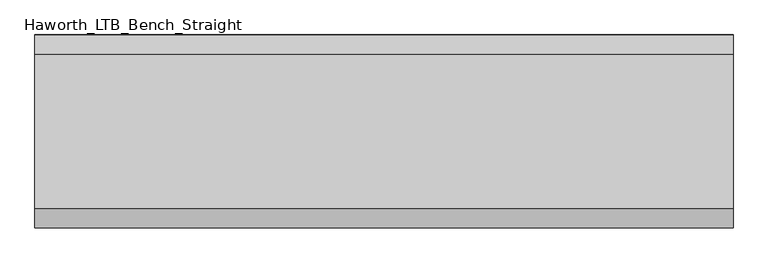
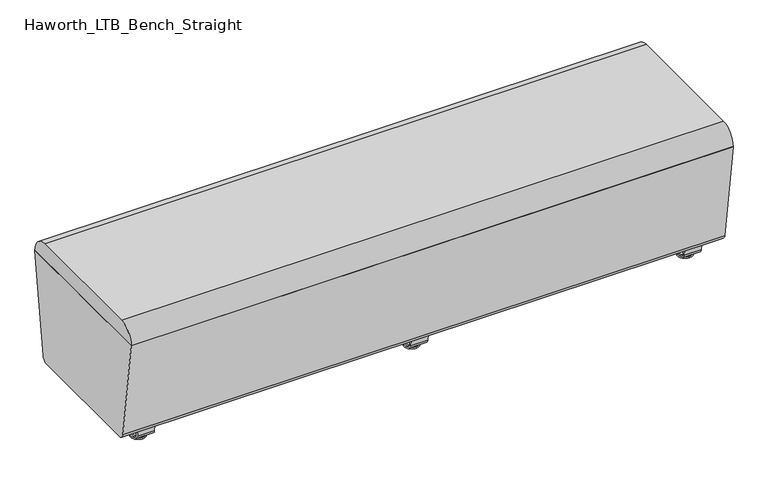
"""IFC4 building model written with IfcOpenShell, lengths in millimetres: furniture geometry, Haworth_LTB_Bench_Straight."""

from ifc_helpers import new_model, si_unit, point, frame, frame_2d, origin, place, context, project, spatial, polyline, circle_curve, ellipse_curve, trimmed, segment, composite_curve, outline, extrude, source, transform, mapped, element, save
from ifc_brep_helpers import plane_surface, cylinder_surface, revolved_surface, advanced_brep


def haworth_ltb_bench_straight_5ad4cbe7(model_context):
    return source(origin(), model_context, "Body", "SolidModel", [
        extrude(outline(composite_curve([segment(trimmed(circle_curve(frame_2d((187.8390314, 68.9999996)), 18.9999992), [point((206.6541239, 66.3557108))], [point((187.8390314, 50.0000004))], False, "CARTESIAN"), True, "CONTINUOUS"), segment(polyline([(187.8390314, 50.0000004), (-187.8390314, 50.0000004)]), True, "CONTINUOUS"), segment(trimmed(circle_curve(frame_2d((-187.8390314, 68.9999996)), 18.9999992), [point((-187.8390314, 50.0000004))], [point((-206.6541239, 66.3557108))], False, "CARTESIAN"), True, "CONTINUOUS"), segment(polyline([(-206.6541239, 66.3557108), (-249.9820603, 374.65), (249.9820603, 374.65), (206.6541239, 66.3557108)]), True, "CONTINUOUS")], self_intersect=False)), frame((-901.7, 0.0, 0.0), z_axis=(1.0, 0.0, 0.0), x_axis=(0.0, 1.0, 0.0)), (0.0, 0.0, 1.0), 1803.4),
        extrude(outline(composite_curve([segment(trimmed(circle_curve(frame_2d((200.0364582, 375.0527773)), 49.9472261), [point((200.0364582, 425.0000034))], [point((249.9820603, 374.6499999))], False, "CARTESIAN"), True, "CONTINUOUS"), segment(polyline([(249.9820603, 374.6499999), (-249.9820603, 374.6499999)]), True, "CONTINUOUS"), segment(trimmed(circle_curve(frame_2d((-200.0364582, 375.0527773)), 49.9472261), [point((-249.9820603, 374.6499999))], [point((-200.0364582, 425.0000034))], False, "CARTESIAN"), True, "CONTINUOUS"), segment(polyline([(-200.0364582, 425.0000034), (200.0364582, 425.0000034)]), True, "CONTINUOUS")], self_intersect=False)), frame((-901.7, 0.0, 0.0), z_axis=(1.0, 0.0, 0.0), x_axis=(0.0, 1.0, 0.0)), (0.0, 0.0, 1.0), 1803.4),
        advanced_brep(
        [(0.0, -134.8425052, 7.8133431), (0.0, -150.8355515, 7.8133431), (0.0, -147.6015284, 7.8133431), (0.0, -138.0765284, 7.8133431), (0.0, -120.9001513, 4.0775), (0.0, -164.7779054, 4.0775), (0.0, -121.3107026, 0.0), (0.0, -164.3673542, 0.0), (0.0, -142.8390284, 0.0), (0.0, -138.0765284, 50.0000004), (0.0, -147.6015284, 50.0000004), (0.0, -142.8390284, 50.0000004)],
        [
            (0, 1, circle_curve(frame((0.0, -142.8390284, 7.8133431), z_axis=(0.0, 0.0, 1.0), x_axis=(0.0, -1.0, 0.0)), 7.9965232)),
            (1, 2),
            (2, 3, circle_curve(frame((0.0, -142.8390284, 7.8133431), z_axis=(0.0, 0.0, -1.0), x_axis=(0.0, -1.0, 0.0)), 4.7625)),
            (3, 0),
            (1, 0, circle_curve(frame((0.0, -142.8390284, 7.8133431), z_axis=(0.0, 0.0, 1.0), x_axis=(0.0, -1.0, 0.0)), 7.9965232)),
            (3, 2, circle_curve(frame((0.0, -142.8390284, 7.8133431), z_axis=(0.0, 0.0, -1.0), x_axis=(0.0, -1.0, 0.0)), 4.7625)),
            (4, 5, circle_curve(frame((0.0, -142.8390284, 4.0775), z_axis=(0.0, 0.0, 1.0), x_axis=(0.0, -1.0, 0.0)), 21.9388771)),
            (5, 1),
            (0, 4),
            (5, 4, circle_curve(frame((0.0, -142.8390284, 4.0775), z_axis=(0.0, 0.0, 1.0), x_axis=(0.0, -1.0, 0.0)), 21.9388771)),
            (6, 7, circle_curve(frame((0.0, -142.8390284, 0.0), z_axis=(0.0, 0.0, 1.0), x_axis=(0.0, -1.0, 0.0)), 21.5283258)),
            (7, 5, circle_curve(frame((0.0, -164.2405822, 2.0721829), z_axis=(-1.0, 0.0, 0.0), x_axis=(0.0, 1.0, 0.0)), 2.0760571)),
            (4, 6, circle_curve(frame((0.0, -121.4374745, 2.0721829), z_axis=(-1.0, 0.0, 0.0), x_axis=(0.0, -1.0, 0.0)), 2.0760571)),
            (7, 6, circle_curve(frame((0.0, -142.8390284, 0.0), z_axis=(0.0, 0.0, 1.0), x_axis=(0.0, -1.0, 0.0)), 21.5283258)),
            (8, 7),
            (6, 8),
            (9, 10, circle_curve(frame((0.0, -142.8390284, 50.0000004), z_axis=(0.0, 0.0, 1.0), x_axis=(0.0, -1.0, 0.0)), 4.7625)),
            (10, 11),
            (11, 9),
            (10, 9, circle_curve(frame((0.0, -142.8390284, 50.0000004), z_axis=(0.0, 0.0, 1.0), x_axis=(0.0, -1.0, 0.0)), 4.7625)),
            (2, 10),
            (9, 3),
        ],
        [
            plane_surface(frame((0.0, -142.8390284, 7.8133431), z_axis=(0.0, 0.0, 1.0), x_axis=(0.0, -1.0, 0.0))),
            revolved_surface(polyline([(0.0, -150.8355515, 7.8133431), (0.0, -164.7779054, 4.0775)]), (0.0, -142.8390284, 0.0), (0.0, 0.0, -1.0)),
            revolved_surface(trimmed(ellipse_curve(frame((0.0, -164.2405822, 2.0721829), z_axis=(1.0, 0.0, 0.0), x_axis=(0.0, 1.0, 0.0)), 2.0760571, 2.0760571), [point((0.0, -164.7779054, 4.0775))], [point((0.0, -164.3673542, 0.0))], True, "CARTESIAN"), (0.0, -142.8390284, 0.0), (0.0, 0.0, -1.0)),
            plane_surface(frame((0.0, -142.8390284, 0.0), z_axis=(0.0, 0.0, -1.0), x_axis=(0.0, -1.0, 0.0))),
            plane_surface(frame((0.0, -142.8390284, 50.0000004), z_axis=(0.0, 0.0, 1.0), x_axis=(0.0, -1.0, 0.0))),
            cylinder_surface(frame((0.0, -142.8390284, 0.0), z_axis=(0.0, 0.0, -1.0), x_axis=(0.0, -1.0, 0.0)), 4.7625),
        ],
        [
            (0, [[1, 2, 3, 4]]),
            (0, [[5, -4, 6, -2]]),
            (1, [[7, 8, -1, 9]]),
            (1, [[10, -9, -5, -8]]),
            (2, [[11, 12, -7, 13]]),
            (2, [[14, -13, -10, -12]]),
            (3, [[15, -11, 16]]),
            (3, [[-16, -14, -15]]),
            (4, [[17, 18, 19]]),
            (4, [[20, -19, -18]]),
            (5, [[-3, 21, -17, 22]]),
            (5, [[-6, -22, -20, -21]]),
        ],
    ),
        advanced_brep(
        [(0.0, 138.0765284, 7.8133431), (0.0, 147.6015284, 7.8133431), (0.0, 150.8355515, 7.8133431), (0.0, 134.8425052, 7.8133431), (0.0, 164.7779054, 4.0775), (0.0, 120.9001513, 4.0775), (0.0, 164.3673542, 0.0), (0.0, 121.3107026, 0.0), (0.0, 142.8390284, 0.0), (0.0, 142.8390284, 50.0000004), (0.0, 147.6015284, 50.0000004), (0.0, 138.0765284, 50.0000004)],
        [
            (0, 1, circle_curve(frame((0.0, 142.8390284, 7.8133431), z_axis=(0.0, 0.0, -1.0), x_axis=(0.0, 1.0, 0.0)), 4.7625)),
            (1, 2),
            (2, 3, circle_curve(frame((0.0, 142.8390284, 7.8133431), z_axis=(0.0, 0.0, 1.0), x_axis=(0.0, 1.0, 0.0)), 7.9965232)),
            (3, 0),
            (1, 0, circle_curve(frame((0.0, 142.8390284, 7.8133431), z_axis=(0.0, 0.0, -1.0), x_axis=(0.0, 1.0, 0.0)), 4.7625)),
            (3, 2, circle_curve(frame((0.0, 142.8390284, 7.8133431), z_axis=(0.0, 0.0, 1.0), x_axis=(0.0, 1.0, 0.0)), 7.9965232)),
            (2, 4),
            (4, 5, circle_curve(frame((0.0, 142.8390284, 4.0775), z_axis=(0.0, 0.0, 1.0), x_axis=(0.0, 1.0, 0.0)), 21.9388771)),
            (5, 3),
            (5, 4, circle_curve(frame((0.0, 142.8390284, 4.0775), z_axis=(0.0, 0.0, 1.0), x_axis=(0.0, 1.0, 0.0)), 21.9388771)),
            (4, 6, circle_curve(frame((0.0, 164.2405822, 2.0721829), z_axis=(-1.0, 0.0, 0.0), x_axis=(0.0, -1.0, 0.0)), 2.0760571)),
            (6, 7, circle_curve(frame((0.0, 142.8390284, 0.0), z_axis=(0.0, 0.0, 1.0), x_axis=(0.0, 1.0, 0.0)), 21.5283258)),
            (7, 5, circle_curve(frame((0.0, 121.4374745, 2.0721829), z_axis=(-1.0, 0.0, 0.0), x_axis=(0.0, 1.0, 0.0)), 2.0760571)),
            (7, 6, circle_curve(frame((0.0, 142.8390284, 0.0), z_axis=(0.0, 0.0, 1.0), x_axis=(0.0, 1.0, 0.0)), 21.5283258)),
            (6, 8),
            (8, 7),
            (9, 10),
            (10, 11, circle_curve(frame((0.0, 142.8390284, 50.0000004), z_axis=(0.0, 0.0, 1.0), x_axis=(0.0, 1.0, 0.0)), 4.7625)),
            (11, 9),
            (11, 10, circle_curve(frame((0.0, 142.8390284, 50.0000004), z_axis=(0.0, 0.0, 1.0), x_axis=(0.0, 1.0, 0.0)), 4.7625)),
            (10, 1),
            (0, 11),
        ],
        [
            plane_surface(frame((0.0, 142.8390284, 7.8133431), z_axis=(0.0, 0.0, 1.0), x_axis=(0.0, 1.0, 0.0))),
            revolved_surface(polyline([(0.0, 164.7779054, 4.0775), (0.0, 150.8355515, 7.8133431)]), (0.0, 142.8390284, 0.0), (0.0, 0.0, 1.0)),
            revolved_surface(trimmed(ellipse_curve(frame((0.0, 164.2405822, 2.0721829), z_axis=(1.0, 0.0, 0.0), x_axis=(0.0, -1.0, 0.0)), 2.0760571, 2.0760571), [point((0.0, 164.3673542, 0.0))], [point((0.0, 164.7779054, 4.0775))], True, "CARTESIAN"), (0.0, 142.8390284, 0.0), (0.0, 0.0, 1.0)),
            plane_surface(frame((0.0, 142.8390284, 0.0), z_axis=(0.0, 0.0, -1.0), x_axis=(0.0, 1.0, 0.0))),
            plane_surface(frame((0.0, 142.8390284, 50.0000004), z_axis=(0.0, 0.0, 1.0), x_axis=(0.0, 1.0, 0.0))),
            cylinder_surface(frame((0.0, 142.8390284, 0.0), z_axis=(0.0, 0.0, 1.0), x_axis=(0.0, 1.0, 0.0)), 4.7625),
        ],
        [
            (0, [[1, 2, 3, 4]]),
            (0, [[5, -4, 6, -2]]),
            (1, [[-3, 7, 8, 9]]),
            (1, [[-6, -9, 10, -7]]),
            (2, [[-8, 11, 12, 13]]),
            (2, [[-10, -13, 14, -11]]),
            (3, [[-12, 15, 16]]),
            (3, [[-14, -16, -15]]),
            (4, [[17, 18, 19]]),
            (4, [[-19, 20, -17]]),
            (5, [[-18, 21, -1, 22]]),
            (5, [[-20, -22, -5, -21]]),
        ],
    ),
        extrude(outline(composite_curve([segment(polyline([(188.6158944, 62.9950557), (183.6853496, 27.9124042)]), True, "CONTINUOUS"), segment(trimmed(circle_curve(frame_2d((168.8313276, 30.0000007)), 15.000001), [point((183.6853496, 27.9124042))], [point((168.8313276, 14.9999997))], False, "CARTESIAN"), True, "CONTINUOUS"), segment(polyline([(168.8313276, 14.9999997), (-168.8313276, 14.9999997)]), True, "CONTINUOUS"), segment(trimmed(circle_curve(frame_2d((-168.8313276, 30.0000007)), 15.000001), [point((-168.8313276, 14.9999997))], [point((-183.6853496, 27.9124042))], False, "CARTESIAN"), True, "CONTINUOUS"), segment(polyline([(-183.6853496, 27.9124042), (-188.6158944, 62.9950557), (-182.9812615, 63.7869505), (-178.0507241, 28.7043023)]), True, "CONTINUOUS"), segment(trimmed(circle_curve(frame_2d((-168.8313262, 30.0000023)), 9.310002), [point((-178.0507241, 28.7043023))], [point((-168.8313262, 20.6900003))], True, "CARTESIAN"), True, "CONTINUOUS"), segment(polyline([(-168.8313262, 20.6900003), (168.8313262, 20.6900003)]), True, "CONTINUOUS"), segment(trimmed(circle_curve(frame_2d((168.8313262, 30.0000023)), 9.310002), [point((168.8313262, 20.6900003))], [point((178.0507241, 28.7043023))], True, "CARTESIAN"), True, "CONTINUOUS"), segment(polyline([(178.0507241, 28.7043023), (182.9812615, 63.7869505), (188.6158944, 62.9950557)]), True, "CONTINUOUS")], self_intersect=False)), frame((-25.4, 0.0, 0.0), z_axis=(1.0, 0.0, 0.0), x_axis=(0.0, 1.0, 0.0)), (0.0, 0.0, 1.0), 50.8),
        advanced_brep(
        [(819.2045358, -134.8425052, 7.8133431), (819.2045358, -150.8355515, 7.8133431), (819.2045358, -147.6015284, 7.8133431), (819.2045358, -138.0765284, 7.8133431), (819.2045358, -120.9001513, 4.0775), (819.2045358, -164.7779054, 4.0775), (819.2045358, -121.3107026, 0.0), (819.2045358, -164.3673542, 0.0), (819.2045358, -142.8390284, 0.0), (819.2045358, -138.0765284, 50.0000004), (819.2045358, -147.6015284, 50.0000004), (819.2045358, -142.8390284, 50.0000004)],
        [
            (0, 1, circle_curve(frame((819.2045358, -142.8390284, 7.8133431), z_axis=(0.0, 0.0, 1.0), x_axis=(0.0, -1.0, 0.0)), 7.9965232)),
            (1, 2),
            (2, 3, circle_curve(frame((819.2045358, -142.8390284, 7.8133431), z_axis=(0.0, 0.0, -1.0), x_axis=(0.0, -1.0, 0.0)), 4.7625)),
            (3, 0),
            (1, 0, circle_curve(frame((819.2045358, -142.8390284, 7.8133431), z_axis=(0.0, 0.0, 1.0), x_axis=(0.0, -1.0, 0.0)), 7.9965232)),
            (3, 2, circle_curve(frame((819.2045358, -142.8390284, 7.8133431), z_axis=(0.0, 0.0, -1.0), x_axis=(0.0, -1.0, 0.0)), 4.7625)),
            (4, 5, circle_curve(frame((819.2045358, -142.8390284, 4.0775), z_axis=(0.0, 0.0, 1.0), x_axis=(0.0, -1.0, 0.0)), 21.9388771)),
            (5, 1),
            (0, 4),
            (5, 4, circle_curve(frame((819.2045358, -142.8390284, 4.0775), z_axis=(0.0, 0.0, 1.0), x_axis=(0.0, -1.0, 0.0)), 21.9388771)),
            (6, 7, circle_curve(frame((819.2045358, -142.8390284, 0.0), z_axis=(0.0, 0.0, 1.0), x_axis=(0.0, -1.0, 0.0)), 21.5283258)),
            (7, 5, circle_curve(frame((819.2045358, -164.2405822, 2.0721829), z_axis=(-1.0, 0.0, 0.0), x_axis=(0.0, 1.0, 0.0)), 2.0760571)),
            (4, 6, circle_curve(frame((819.2045358, -121.4374745, 2.0721829), z_axis=(-1.0, 0.0, 0.0), x_axis=(0.0, -1.0, 0.0)), 2.0760571)),
            (7, 6, circle_curve(frame((819.2045358, -142.8390284, 0.0), z_axis=(0.0, 0.0, 1.0), x_axis=(0.0, -1.0, 0.0)), 21.5283258)),
            (8, 7),
            (6, 8),
            (9, 10, circle_curve(frame((819.2045358, -142.8390284, 50.0000004), z_axis=(0.0, 0.0, 1.0), x_axis=(0.0, -1.0, 0.0)), 4.7625)),
            (10, 11),
            (11, 9),
            (10, 9, circle_curve(frame((819.2045358, -142.8390284, 50.0000004), z_axis=(0.0, 0.0, 1.0), x_axis=(0.0, -1.0, 0.0)), 4.7625)),
            (2, 10),
            (9, 3),
        ],
        [
            plane_surface(frame((819.2045358, -142.8390284, 7.8133431), z_axis=(0.0, 0.0, 1.0), x_axis=(0.0, -1.0, 0.0))),
            revolved_surface(polyline([(819.2045358, -150.8355515, 7.8133431), (819.2045358, -164.7779054, 4.0775)]), (819.2045358, -142.8390284, 0.0), (0.0, 0.0, -1.0)),
            revolved_surface(trimmed(ellipse_curve(frame((819.2045358, -164.2405822, 2.0721829), z_axis=(1.0, 0.0, 0.0), x_axis=(0.0, 1.0, 0.0)), 2.0760571, 2.0760571), [point((819.2045358, -164.7779054, 4.0775))], [point((819.2045358, -164.3673542, 0.0))], True, "CARTESIAN"), (819.2045358, -142.8390284, 0.0), (0.0, 0.0, -1.0)),
            plane_surface(frame((819.2045358, -142.8390284, 0.0), z_axis=(0.0, 0.0, -1.0), x_axis=(0.0, -1.0, 0.0))),
            plane_surface(frame((819.2045358, -142.8390284, 50.0000004), z_axis=(0.0, 0.0, 1.0), x_axis=(0.0, -1.0, 0.0))),
            cylinder_surface(frame((819.2045358, -142.8390284, 0.0), z_axis=(0.0, 0.0, -1.0), x_axis=(0.0, -1.0, 0.0)), 4.7625),
        ],
        [
            (0, [[1, 2, 3, 4]]),
            (0, [[5, -4, 6, -2]]),
            (1, [[7, 8, -1, 9]]),
            (1, [[10, -9, -5, -8]]),
            (2, [[11, 12, -7, 13]]),
            (2, [[14, -13, -10, -12]]),
            (3, [[15, -11, 16]]),
            (3, [[-16, -14, -15]]),
            (4, [[17, 18, 19]]),
            (4, [[20, -19, -18]]),
            (5, [[-3, 21, -17, 22]]),
            (5, [[-6, -22, -20, -21]]),
        ],
    ),
        advanced_brep(
        [(819.2045358, 138.0765284, 7.8133431), (819.2045358, 147.6015284, 7.8133431), (819.2045358, 150.8355515, 7.8133431), (819.2045358, 134.8425052, 7.8133431), (819.2045358, 164.7779054, 4.0775), (819.2045358, 120.9001513, 4.0775), (819.2045358, 164.3673542, 0.0), (819.2045358, 121.3107026, 0.0), (819.2045358, 142.8390284, 0.0), (819.2045358, 142.8390284, 50.0000004), (819.2045358, 147.6015284, 50.0000004), (819.2045358, 138.0765284, 50.0000004)],
        [
            (0, 1, circle_curve(frame((819.2045358, 142.8390284, 7.8133431), z_axis=(0.0, 0.0, -1.0), x_axis=(0.0, 1.0, 0.0)), 4.7625)),
            (1, 2),
            (2, 3, circle_curve(frame((819.2045358, 142.8390284, 7.8133431), z_axis=(0.0, 0.0, 1.0), x_axis=(0.0, 1.0, 0.0)), 7.9965232)),
            (3, 0),
            (1, 0, circle_curve(frame((819.2045358, 142.8390284, 7.8133431), z_axis=(0.0, 0.0, -1.0), x_axis=(0.0, 1.0, 0.0)), 4.7625)),
            (3, 2, circle_curve(frame((819.2045358, 142.8390284, 7.8133431), z_axis=(0.0, 0.0, 1.0), x_axis=(0.0, 1.0, 0.0)), 7.9965232)),
            (2, 4),
            (4, 5, circle_curve(frame((819.2045358, 142.8390284, 4.0775), z_axis=(0.0, 0.0, 1.0), x_axis=(0.0, 1.0, 0.0)), 21.9388771)),
            (5, 3),
            (5, 4, circle_curve(frame((819.2045358, 142.8390284, 4.0775), z_axis=(0.0, 0.0, 1.0), x_axis=(0.0, 1.0, 0.0)), 21.9388771)),
            (4, 6, circle_curve(frame((819.2045358, 164.2405822, 2.0721829), z_axis=(-1.0, 0.0, 0.0), x_axis=(0.0, -1.0, 0.0)), 2.0760571)),
            (6, 7, circle_curve(frame((819.2045358, 142.8390284, 0.0), z_axis=(0.0, 0.0, 1.0), x_axis=(0.0, 1.0, 0.0)), 21.5283258)),
            (7, 5, circle_curve(frame((819.2045358, 121.4374745, 2.0721829), z_axis=(-1.0, 0.0, 0.0), x_axis=(0.0, 1.0, 0.0)), 2.0760571)),
            (7, 6, circle_curve(frame((819.2045358, 142.8390284, 0.0), z_axis=(0.0, 0.0, 1.0), x_axis=(0.0, 1.0, 0.0)), 21.5283258)),
            (6, 8),
            (8, 7),
            (9, 10),
            (10, 11, circle_curve(frame((819.2045358, 142.8390284, 50.0000004), z_axis=(0.0, 0.0, 1.0), x_axis=(0.0, 1.0, 0.0)), 4.7625)),
            (11, 9),
            (11, 10, circle_curve(frame((819.2045358, 142.8390284, 50.0000004), z_axis=(0.0, 0.0, 1.0), x_axis=(0.0, 1.0, 0.0)), 4.7625)),
            (10, 1),
            (0, 11),
        ],
        [
            plane_surface(frame((819.2045358, 142.8390284, 7.8133431), z_axis=(0.0, 0.0, 1.0), x_axis=(0.0, 1.0, 0.0))),
            revolved_surface(polyline([(819.2045358, 164.7779054, 4.0775), (819.2045358, 150.8355515, 7.8133431)]), (819.2045358, 142.8390284, 0.0), (0.0, 0.0, 1.0)),
            revolved_surface(trimmed(ellipse_curve(frame((819.2045358, 164.2405822, 2.0721829), z_axis=(1.0, 0.0, 0.0), x_axis=(0.0, -1.0, 0.0)), 2.0760571, 2.0760571), [point((819.2045358, 164.3673542, 0.0))], [point((819.2045358, 164.7779054, 4.0775))], True, "CARTESIAN"), (819.2045358, 142.8390284, 0.0), (0.0, 0.0, 1.0)),
            plane_surface(frame((819.2045358, 142.8390284, 0.0), z_axis=(0.0, 0.0, -1.0), x_axis=(0.0, 1.0, 0.0))),
            plane_surface(frame((819.2045358, 142.8390284, 50.0000004), z_axis=(0.0, 0.0, 1.0), x_axis=(0.0, 1.0, 0.0))),
            cylinder_surface(frame((819.2045358, 142.8390284, 0.0), z_axis=(0.0, 0.0, 1.0), x_axis=(0.0, 1.0, 0.0)), 4.7625),
        ],
        [
            (0, [[1, 2, 3, 4]]),
            (0, [[5, -4, 6, -2]]),
            (1, [[-3, 7, 8, 9]]),
            (1, [[-6, -9, 10, -7]]),
            (2, [[-8, 11, 12, 13]]),
            (2, [[-10, -13, 14, -11]]),
            (3, [[-12, 15, 16]]),
            (3, [[-14, -16, -15]]),
            (4, [[17, 18, 19]]),
            (4, [[-19, 20, -17]]),
            (5, [[-18, 21, -1, 22]]),
            (5, [[-20, -22, -5, -21]]),
        ],
    ),
        extrude(outline(composite_curve([segment(polyline([(188.6158944, 62.9950557), (183.6853496, 27.9124042)]), True, "CONTINUOUS"), segment(trimmed(circle_curve(frame_2d((168.8313276, 30.0000007)), 15.000001), [point((183.6853496, 27.9124042))], [point((168.8313276, 14.9999997))], False, "CARTESIAN"), True, "CONTINUOUS"), segment(polyline([(168.8313276, 14.9999997), (-168.8313276, 14.9999997)]), True, "CONTINUOUS"), segment(trimmed(circle_curve(frame_2d((-168.8313276, 30.0000007)), 15.000001), [point((-168.8313276, 14.9999997))], [point((-183.6853496, 27.9124042))], False, "CARTESIAN"), True, "CONTINUOUS"), segment(polyline([(-183.6853496, 27.9124042), (-188.6158944, 62.9950557), (-182.9812615, 63.7869505), (-178.0507241, 28.7043023)]), True, "CONTINUOUS"), segment(trimmed(circle_curve(frame_2d((-168.8313262, 30.0000023)), 9.310002), [point((-178.0507241, 28.7043023))], [point((-168.8313262, 20.6900003))], True, "CARTESIAN"), True, "CONTINUOUS"), segment(polyline([(-168.8313262, 20.6900003), (168.8313262, 20.6900003)]), True, "CONTINUOUS"), segment(trimmed(circle_curve(frame_2d((168.8313262, 30.0000023)), 9.310002), [point((168.8313262, 20.6900003))], [point((178.0507241, 28.7043023))], True, "CARTESIAN"), True, "CONTINUOUS"), segment(polyline([(178.0507241, 28.7043023), (182.9812615, 63.7869505), (188.6158944, 62.9950557)]), True, "CONTINUOUS")], self_intersect=False)), frame((793.8045358, 0.0, 0.0), z_axis=(1.0, 0.0, 0.0), x_axis=(0.0, 1.0, 0.0)), (0.0, 0.0, 1.0), 50.8),
        advanced_brep(
        [(-819.2045358, -138.0765284, 7.8133431), (-819.2045358, -147.6015284, 7.8133431), (-819.2045358, -150.8355515, 7.8133431), (-819.2045358, -134.8425052, 7.8133431), (-819.2045358, -164.7779054, 4.0775), (-819.2045358, -120.9001513, 4.0775), (-819.2045358, -164.3673542, 0.0), (-819.2045358, -121.3107026, 0.0), (-819.2045358, -142.8390284, 0.0), (-819.2045358, -142.8390284, 50.0000004), (-819.2045358, -147.6015284, 50.0000004), (-819.2045358, -138.0765284, 50.0000004)],
        [
            (0, 1, circle_curve(frame((-819.2045358, -142.8390284, 7.8133431), z_axis=(0.0, 0.0, -1.0), x_axis=(0.0, -1.0, 0.0)), 4.7625)),
            (1, 2),
            (2, 3, circle_curve(frame((-819.2045358, -142.8390284, 7.8133431), z_axis=(0.0, 0.0, 1.0), x_axis=(0.0, -1.0, 0.0)), 7.9965232)),
            (3, 0),
            (1, 0, circle_curve(frame((-819.2045358, -142.8390284, 7.8133431), z_axis=(0.0, 0.0, -1.0), x_axis=(0.0, -1.0, 0.0)), 4.7625)),
            (3, 2, circle_curve(frame((-819.2045358, -142.8390284, 7.8133431), z_axis=(0.0, 0.0, 1.0), x_axis=(0.0, -1.0, 0.0)), 7.9965232)),
            (2, 4),
            (4, 5, circle_curve(frame((-819.2045358, -142.8390284, 4.0775), z_axis=(0.0, 0.0, 1.0), x_axis=(0.0, -1.0, 0.0)), 21.9388771)),
            (5, 3),
            (5, 4, circle_curve(frame((-819.2045358, -142.8390284, 4.0775), z_axis=(0.0, 0.0, 1.0), x_axis=(0.0, -1.0, 0.0)), 21.9388771)),
            (4, 6, circle_curve(frame((-819.2045358, -164.2405822, 2.0721829), z_axis=(1.0, 0.0, 0.0), x_axis=(0.0, 1.0, 0.0)), 2.0760571)),
            (6, 7, circle_curve(frame((-819.2045358, -142.8390284, 0.0), z_axis=(0.0, 0.0, 1.0), x_axis=(0.0, -1.0, 0.0)), 21.5283258)),
            (7, 5, circle_curve(frame((-819.2045358, -121.4374745, 2.0721829), z_axis=(1.0, 0.0, 0.0), x_axis=(0.0, -1.0, 0.0)), 2.0760571)),
            (7, 6, circle_curve(frame((-819.2045358, -142.8390284, 0.0), z_axis=(0.0, 0.0, 1.0), x_axis=(0.0, -1.0, 0.0)), 21.5283258)),
            (6, 8),
            (8, 7),
            (9, 10),
            (10, 11, circle_curve(frame((-819.2045358, -142.8390284, 50.0000004), z_axis=(0.0, 0.0, 1.0), x_axis=(0.0, -1.0, 0.0)), 4.7625)),
            (11, 9),
            (11, 10, circle_curve(frame((-819.2045358, -142.8390284, 50.0000004), z_axis=(0.0, 0.0, 1.0), x_axis=(0.0, -1.0, 0.0)), 4.7625)),
            (10, 1),
            (0, 11),
        ],
        [
            plane_surface(frame((-819.2045358, -142.8390284, 7.8133431), z_axis=(0.0, 0.0, 1.0), x_axis=(0.0, -1.0, 0.0))),
            revolved_surface(polyline([(-819.2045358, -164.7779054, 4.0775), (-819.2045358, -150.8355515, 7.8133431)]), (-819.2045358, -142.8390284, 0.0), (0.0, 0.0, 1.0)),
            revolved_surface(trimmed(ellipse_curve(frame((-819.2045358, -164.2405822, 2.0721829), z_axis=(-1.0, 0.0, 0.0), x_axis=(0.0, 1.0, 0.0)), 2.0760571, 2.0760571), [point((-819.2045358, -164.3673542, 0.0))], [point((-819.2045358, -164.7779054, 4.0775))], True, "CARTESIAN"), (-819.2045358, -142.8390284, 0.0), (0.0, 0.0, 1.0)),
            plane_surface(frame((-819.2045358, -142.8390284, 0.0), z_axis=(0.0, 0.0, -1.0), x_axis=(0.0, -1.0, 0.0))),
            plane_surface(frame((-819.2045358, -142.8390284, 50.0000004), z_axis=(0.0, 0.0, 1.0), x_axis=(0.0, -1.0, 0.0))),
            cylinder_surface(frame((-819.2045358, -142.8390284, 0.0), z_axis=(0.0, 0.0, 1.0), x_axis=(0.0, -1.0, 0.0)), 4.7625),
        ],
        [
            (0, [[1, 2, 3, 4]]),
            (0, [[5, -4, 6, -2]]),
            (1, [[-3, 7, 8, 9]]),
            (1, [[-6, -9, 10, -7]]),
            (2, [[-8, 11, 12, 13]]),
            (2, [[-10, -13, 14, -11]]),
            (3, [[-12, 15, 16]]),
            (3, [[-14, -16, -15]]),
            (4, [[17, 18, 19]]),
            (4, [[-19, 20, -17]]),
            (5, [[-18, 21, -1, 22]]),
            (5, [[-20, -22, -5, -21]]),
        ],
    ),
        advanced_brep(
        [(-819.2045358, 134.8425052, 7.8133431), (-819.2045358, 150.8355515, 7.8133431), (-819.2045358, 147.6015284, 7.8133431), (-819.2045358, 138.0765284, 7.8133431), (-819.2045358, 120.9001513, 4.0775), (-819.2045358, 164.7779054, 4.0775), (-819.2045358, 121.3107026, 0.0), (-819.2045358, 164.3673542, 0.0), (-819.2045358, 142.8390284, 0.0), (-819.2045358, 138.0765284, 50.0000004), (-819.2045358, 147.6015284, 50.0000004), (-819.2045358, 142.8390284, 50.0000004)],
        [
            (0, 1, circle_curve(frame((-819.2045358, 142.8390284, 7.8133431), z_axis=(0.0, 0.0, 1.0), x_axis=(0.0, 1.0, 0.0)), 7.9965232)),
            (1, 2),
            (2, 3, circle_curve(frame((-819.2045358, 142.8390284, 7.8133431), z_axis=(0.0, 0.0, -1.0), x_axis=(0.0, 1.0, 0.0)), 4.7625)),
            (3, 0),
            (1, 0, circle_curve(frame((-819.2045358, 142.8390284, 7.8133431), z_axis=(0.0, 0.0, 1.0), x_axis=(0.0, 1.0, 0.0)), 7.9965232)),
            (3, 2, circle_curve(frame((-819.2045358, 142.8390284, 7.8133431), z_axis=(0.0, 0.0, -1.0), x_axis=(0.0, 1.0, 0.0)), 4.7625)),
            (4, 5, circle_curve(frame((-819.2045358, 142.8390284, 4.0775), z_axis=(0.0, 0.0, 1.0), x_axis=(0.0, 1.0, 0.0)), 21.9388771)),
            (5, 1),
            (0, 4),
            (5, 4, circle_curve(frame((-819.2045358, 142.8390284, 4.0775), z_axis=(0.0, 0.0, 1.0), x_axis=(0.0, 1.0, 0.0)), 21.9388771)),
            (6, 7, circle_curve(frame((-819.2045358, 142.8390284, 0.0), z_axis=(0.0, 0.0, 1.0), x_axis=(0.0, 1.0, 0.0)), 21.5283258)),
            (7, 5, circle_curve(frame((-819.2045358, 164.2405822, 2.0721829), z_axis=(1.0, 0.0, 0.0), x_axis=(0.0, -1.0, 0.0)), 2.0760571)),
            (4, 6, circle_curve(frame((-819.2045358, 121.4374745, 2.0721829), z_axis=(1.0, 0.0, 0.0), x_axis=(0.0, 1.0, 0.0)), 2.0760571)),
            (7, 6, circle_curve(frame((-819.2045358, 142.8390284, 0.0), z_axis=(0.0, 0.0, 1.0), x_axis=(0.0, 1.0, 0.0)), 21.5283258)),
            (8, 7),
            (6, 8),
            (9, 10, circle_curve(frame((-819.2045358, 142.8390284, 50.0000004), z_axis=(0.0, 0.0, 1.0), x_axis=(0.0, 1.0, 0.0)), 4.7625)),
            (10, 11),
            (11, 9),
            (10, 9, circle_curve(frame((-819.2045358, 142.8390284, 50.0000004), z_axis=(0.0, 0.0, 1.0), x_axis=(0.0, 1.0, 0.0)), 4.7625)),
            (2, 10),
            (9, 3),
        ],
        [
            plane_surface(frame((-819.2045358, 142.8390284, 7.8133431), z_axis=(0.0, 0.0, 1.0), x_axis=(0.0, 1.0, 0.0))),
            revolved_surface(polyline([(-819.2045358, 150.8355515, 7.8133431), (-819.2045358, 164.7779054, 4.0775)]), (-819.2045358, 142.8390284, 0.0), (0.0, 0.0, -1.0)),
            revolved_surface(trimmed(ellipse_curve(frame((-819.2045358, 164.2405822, 2.0721829), z_axis=(-1.0, 0.0, 0.0), x_axis=(0.0, -1.0, 0.0)), 2.0760571, 2.0760571), [point((-819.2045358, 164.7779054, 4.0775))], [point((-819.2045358, 164.3673542, 0.0))], True, "CARTESIAN"), (-819.2045358, 142.8390284, 0.0), (0.0, 0.0, -1.0)),
            plane_surface(frame((-819.2045358, 142.8390284, 0.0), z_axis=(0.0, 0.0, -1.0), x_axis=(0.0, 1.0, 0.0))),
            plane_surface(frame((-819.2045358, 142.8390284, 50.0000004), z_axis=(0.0, 0.0, 1.0), x_axis=(0.0, 1.0, 0.0))),
            cylinder_surface(frame((-819.2045358, 142.8390284, 0.0), z_axis=(0.0, 0.0, -1.0), x_axis=(0.0, 1.0, 0.0)), 4.7625),
        ],
        [
            (0, [[1, 2, 3, 4]]),
            (0, [[5, -4, 6, -2]]),
            (1, [[7, 8, -1, 9]]),
            (1, [[10, -9, -5, -8]]),
            (2, [[11, 12, -7, 13]]),
            (2, [[14, -13, -10, -12]]),
            (3, [[15, -11, 16]]),
            (3, [[-16, -14, -15]]),
            (4, [[17, 18, 19]]),
            (4, [[20, -19, -18]]),
            (5, [[-3, 21, -17, 22]]),
            (5, [[-6, -22, -20, -21]]),
        ],
    ),
        extrude(outline(composite_curve([segment(polyline([(188.6158944, 62.9950557), (183.6853496, 27.9124042)]), True, "CONTINUOUS"), segment(trimmed(circle_curve(frame_2d((168.8313276, 30.0000007)), 15.000001), [point((183.6853496, 27.9124042))], [point((168.8313276, 14.9999997))], False, "CARTESIAN"), True, "CONTINUOUS"), segment(polyline([(168.8313276, 14.9999997), (-168.8313276, 14.9999997)]), True, "CONTINUOUS"), segment(trimmed(circle_curve(frame_2d((-168.8313276, 30.0000007)), 15.000001), [point((-168.8313276, 14.9999997))], [point((-183.6853496, 27.9124042))], False, "CARTESIAN"), True, "CONTINUOUS"), segment(polyline([(-183.6853496, 27.9124042), (-188.6158944, 62.9950557), (-182.9812615, 63.7869505), (-178.0507241, 28.7043023)]), True, "CONTINUOUS"), segment(trimmed(circle_curve(frame_2d((-168.8313262, 30.0000023)), 9.310002), [point((-178.0507241, 28.7043023))], [point((-168.8313262, 20.6900003))], True, "CARTESIAN"), True, "CONTINUOUS"), segment(polyline([(-168.8313262, 20.6900003), (168.8313262, 20.6900003)]), True, "CONTINUOUS"), segment(trimmed(circle_curve(frame_2d((168.8313262, 30.0000023)), 9.310002), [point((168.8313262, 20.6900003))], [point((178.0507241, 28.7043023))], True, "CARTESIAN"), True, "CONTINUOUS"), segment(polyline([(178.0507241, 28.7043023), (182.9812615, 63.7869505), (188.6158944, 62.9950557)]), True, "CONTINUOUS")], self_intersect=False)), frame((-844.6045358, 0.0, 0.0), z_axis=(1.0, 0.0, 0.0), x_axis=(0.0, 1.0, 0.0)), (0.0, 0.0, 1.0), 50.8),
    ])


if __name__ == "__main__":
    model = new_model("IFC4")
    model_context = context("Model", 3, world=origin())
    ifc_project = project(units=[si_unit("LENGTHUNIT", "METRE", prefix="MILLI")], contexts=[model_context])
    site = spatial("IfcSite", under=ifc_project)
    building = spatial("IfcBuilding", under=site)
    placement = place(None, origin())
    haworth_ltb_bench_straight_shape = haworth_ltb_bench_straight_5ad4cbe7(model_context)
    element("IfcFurniture", 1, ObjectType="Haworth_LTB_Bench_Straight", at=placement, inside=building, context=model_context, shape_type="MappedRepresentation", body=[
        mapped(haworth_ltb_bench_straight_shape, transform((0.0, 0.0, 0.0), x_axis=(1.0, 0.0, 0.0), y_axis=(0.0, 1.0, 0.0), z_axis=(0.0, 0.0, 1.0))),
    ])
    save(model, "model.ifc")
